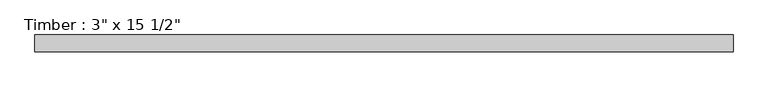
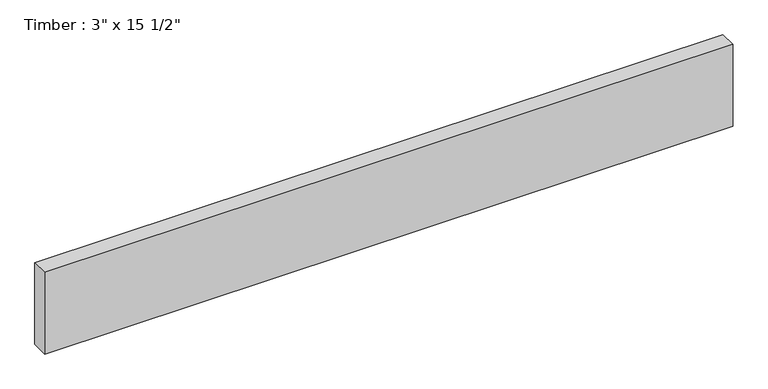
"""IFC4 building model written with IfcOpenShell, lengths in millimetres: beam geometry."""

from ifc_helpers import new_model, si_unit, frame, origin, place, context, project, spatial, polyline, outline, extrude, source, transform, mapped, element, save


def beam_31528e17(model_context):
    return source(origin(), model_context, "Body", "SweptSolid", [
        extrude(outline(polyline([(1571.625, 38.1), (1571.625, -38.1), (-1571.625, -38.1), (-1571.625, 38.1), (1571.625, 38.1)])), frame((0.0, 0.0, -196.85), z_axis=(0.0, 0.0, 1.0), x_axis=(1.0, 0.0, 0.0)), (0.0, 0.0, 1.0), 393.7),
    ])


if __name__ == "__main__":
    model = new_model("IFC4")
    model_context = context("Model", 3, world=origin())
    ifc_project = project(units=[si_unit("LENGTHUNIT", "METRE", prefix="MILLI")], contexts=[model_context])
    site = spatial("IfcSite", under=ifc_project)
    building = spatial("IfcBuilding", under=site)
    placement = place(None, origin())
    beam_shape = beam_31528e17(model_context)
    element("IfcBeam", 1, ObjectType="Timber : 3\" x 15 1/2\"", at=placement, inside=building, context=model_context, shape_type="MappedRepresentation", body=[
        mapped(beam_shape, transform((0.0, 0.0, 0.0), x_axis=(1.0, 0.0, 0.0), y_axis=(0.0, 1.0, 0.0), z_axis=(0.0, 0.0, 1.0))),
    ])
    save(model, "model.ifc")
